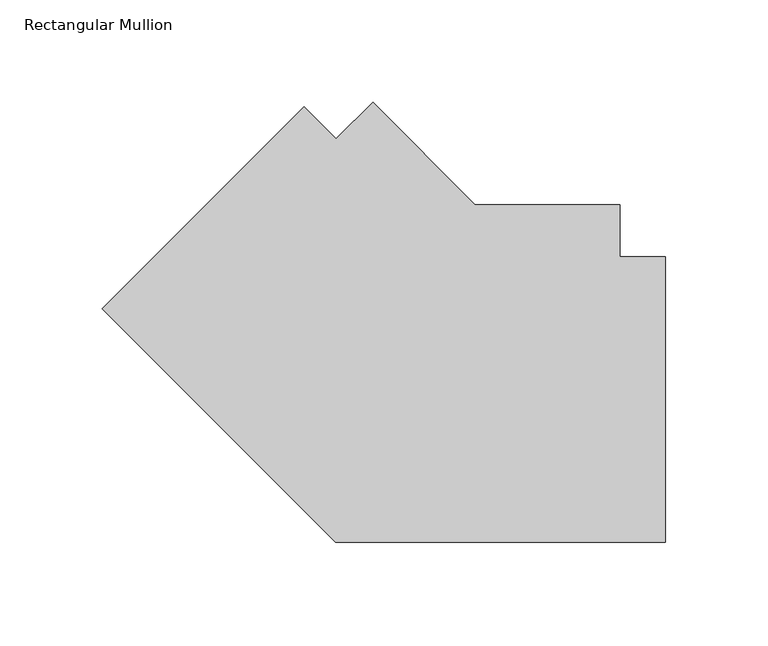
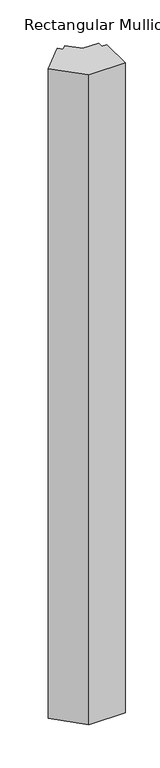
"""IFC4 building model written with IfcOpenShell, lengths in millimetres: member geometry, Rectangular Mullion."""

from ifc_helpers import new_model, si_unit, frame, origin, place, context, project, spatial, polyline, outline, extrude, source, transform, mapped, element, save


def rectangular_mullion_d7f22288(model_context):
    return source(origin(), model_context, "Body", "SweptSolid", [
        extrude(outline(polyline([(-161.4576836, -212.9507243), (-275.6255066, -98.7829013), (-176.8426853, -8.01e-05), (-161.1273172, -15.7154482), (-143.1668089, 2.2450601), (-93.0710245, -47.8507243), (-22.2248868, -47.8507243), (-22.2248868, -73.2507187), (0.0, -73.2507187), (0.0, -212.9507243), (-161.4576836, -212.9507243)])), frame((0.0, 0.0, -3048.0), z_axis=(0.0, 0.0, 1.0), x_axis=(1.0, 0.0, 0.0)), (0.0, 0.0, 1.0), 3048.0),
    ])


if __name__ == "__main__":
    model = new_model("IFC4")
    model_context = context("Model", 3, world=origin())
    ifc_project = project(units=[si_unit("LENGTHUNIT", "METRE", prefix="MILLI")], contexts=[model_context])
    site = spatial("IfcSite", under=ifc_project)
    building = spatial("IfcBuilding", under=site)
    placement = place(None, origin())
    rectangular_mullion_shape = rectangular_mullion_d7f22288(model_context)
    element("IfcMember", 1, ObjectType="Rectangular Mullion", at=placement, inside=building, context=model_context, shape_type="MappedRepresentation", body=[
        mapped(rectangular_mullion_shape, transform((0.0, 0.0, 0.0), x_axis=(1.0, 0.0, 0.0), y_axis=(0.0, 1.0, 0.0), z_axis=(0.0, 0.0, 1.0))),
    ])
    save(model, "model.ifc")
